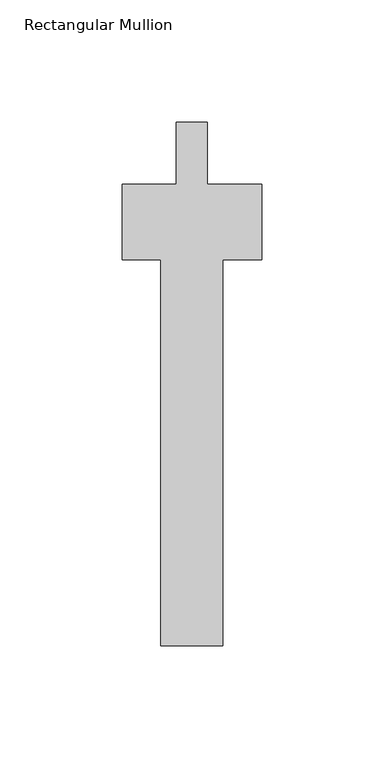
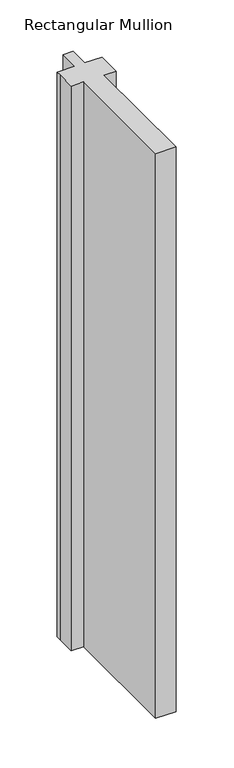
"""IFC4 building model written with IfcOpenShell, lengths in millimetres: member geometry, Rectangular Mullion."""

from ifc_helpers import new_model, si_unit, frame, origin, place, context, project, spatial, polyline, outline, extrude, source, transform, mapped, element, save


def rectangular_mullion_a765090e(model_context):
    return source(origin(), model_context, "Body", "SweptSolid", [
        extrude(outline(polyline([(6.35, 0.0), (6.35, -25.4), (28.575, -25.4), (28.575, -31.75), (28.575, -56.388), (12.6999999, -56.388), (12.6999999, -214.376), (-12.6999999, -214.376), (-12.6999999, -56.388), (-28.575, -56.388), (-28.575, -31.75), (-28.575, -25.4), (-6.35, -25.4), (-6.35, 0.0), (6.35, 0.0)])), frame((0.0, 0.0, -755.65), z_axis=(0.0, 0.0, 1.0), x_axis=(1.0, 0.0, 0.0)), (0.0, 0.0, 1.0), 755.65),
    ])


if __name__ == "__main__":
    model = new_model("IFC4")
    model_context = context("Model", 3, world=origin())
    ifc_project = project(units=[si_unit("LENGTHUNIT", "METRE", prefix="MILLI")], contexts=[model_context])
    site = spatial("IfcSite", under=ifc_project)
    building = spatial("IfcBuilding", under=site)
    placement = place(None, origin())
    rectangular_mullion_shape = rectangular_mullion_a765090e(model_context)
    element("IfcMember", 1, ObjectType="Rectangular Mullion", at=placement, inside=building, context=model_context, shape_type="MappedRepresentation", body=[
        mapped(rectangular_mullion_shape, transform((0.0, 0.0, 0.0), x_axis=(1.0, 0.0, 0.0), y_axis=(0.0, 1.0, 0.0), z_axis=(0.0, 0.0, 1.0))),
    ])
    save(model, "model.ifc")
